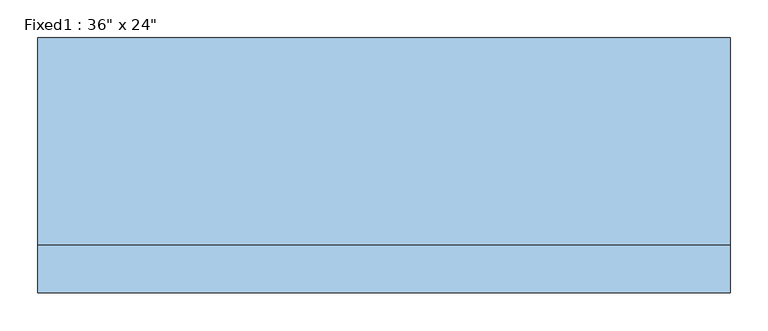
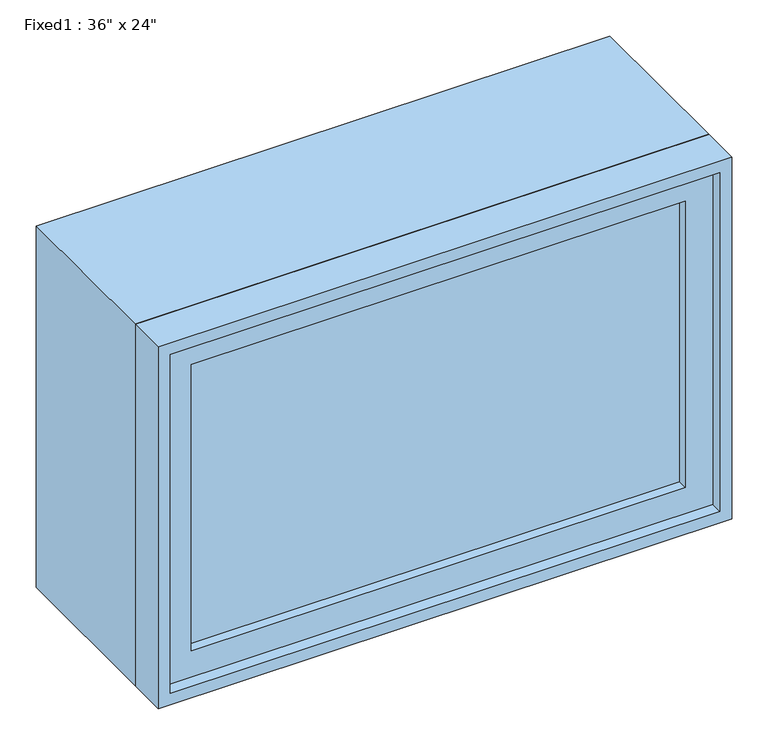
"""IFC4 building model written with IfcOpenShell, lengths in millimetres: window geometry."""

from ifc_helpers import new_model, si_unit, frame, origin, place, context, project, spatial, polyline, outline, extrude, source, transform, mapped, element, save


def window_fe95f5f0(model_context):
    return source(origin(), model_context, "Body", "SweptSolid", [
        extrude(outline(polyline([(355.6, -120.65), (355.6, -133.35), (-431.8, -133.35), (-431.8, -120.65), (355.6, -120.65)])), frame((0.0, 0.0, 977.9), z_axis=(0.0, 0.0, 1.0), x_axis=(1.0, 0.0, 0.0)), (0.0, 0.0, 1.0), 482.6),
        extrude(outline(polyline([(1504.95, -476.25), (933.45, -476.25), (933.45, 400.05), (1504.95, 400.05), (1504.95, -476.25)]), holes=[polyline([(1460.5, -431.8), (1460.5, 355.6), (977.9, 355.6), (977.9, -431.8), (1460.5, -431.8)])]), frame((0.0, -149.225, 0.0), z_axis=(0.0, 1.0, 0.0), x_axis=(0.0, 0.0, 1.0)), (0.0, 0.0, 1.0), 44.45),
        extrude(outline(polyline([(1524.0, -495.3), (914.4, -495.3), (914.4, 419.1), (1524.0, 419.1), (1524.0, -495.3)]), holes=[polyline([(1492.25, -463.55), (1492.25, 387.35), (946.15, 387.35), (946.15, -463.55), (1492.25, -463.55)])]), frame((0.0, -104.775, 0.0), z_axis=(0.0, 1.0, 0.0), x_axis=(0.0, 0.0, 1.0)), (0.0, 0.0, 1.0), 273.05),
        extrude(outline(polyline([(1524.0, 419.1), (1524.0, -495.3), (914.4, -495.3), (914.4, 419.1), (1524.0, 419.1)]), holes=[polyline([(1504.95, 400.05), (933.45, 400.05), (933.45, -476.25), (1504.95, -476.25), (1504.95, 400.05)])]), frame((0.0, -168.275, 0.0), z_axis=(0.0, 1.0, 0.0), x_axis=(0.0, 0.0, 1.0)), (0.0, 0.0, 1.0), 63.5),
    ])


if __name__ == "__main__":
    model = new_model("IFC4")
    model_context = context("Model", 3, world=origin())
    ifc_project = project(units=[si_unit("LENGTHUNIT", "METRE", prefix="MILLI")], contexts=[model_context])
    site = spatial("IfcSite", under=ifc_project)
    building = spatial("IfcBuilding", under=site)
    placement = place(None, origin())
    window_shape = window_fe95f5f0(model_context)
    element("IfcWindow", 1, ObjectType="Fixed1 : 36\" x 24\"", at=placement, inside=building, context=model_context, shape_type="MappedRepresentation", body=[
        mapped(window_shape, transform((0.0, 0.0, 0.0), x_axis=(1.0, 0.0, 0.0), y_axis=(0.0, 1.0, 0.0), z_axis=(0.0, 0.0, 1.0))),
    ])
    save(model, "model.ifc")
